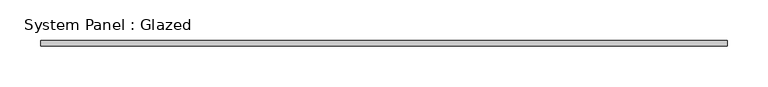
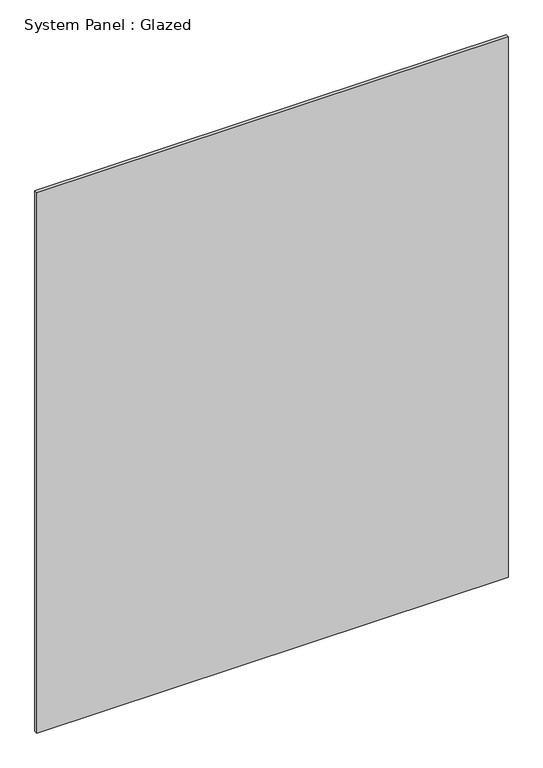
"""IFC4 building model written with IfcOpenShell, lengths in millimetres: plate geometry, System Panel : Glazed."""

from ifc_helpers import new_model, si_unit, origin, origin_with_axes, place, context, project, spatial, polyline, outline, extrude, source, transform, mapped, element, save


def system_panel_glazed_5667d929(model_context):
    return source(origin(), model_context, "Body", "SweptSolid", [
        extrude(outline(polyline([(419.1, 28.575), (-419.1, 28.575), (-419.1, 34.925), (419.1, 34.925), (419.1, 28.575)])), origin_with_axes(), (0.0, 0.0, 1.0), 1016.0),
    ])


if __name__ == "__main__":
    model = new_model("IFC4")
    model_context = context("Model", 3, world=origin())
    ifc_project = project(units=[si_unit("LENGTHUNIT", "METRE", prefix="MILLI")], contexts=[model_context])
    site = spatial("IfcSite", under=ifc_project)
    building = spatial("IfcBuilding", under=site)
    placement = place(None, origin())
    system_panel_glazed_shape = system_panel_glazed_5667d929(model_context)
    element("IfcPlate", 1, ObjectType="System Panel : Glazed", at=placement, inside=building, context=model_context, shape_type="MappedRepresentation", body=[
        mapped(system_panel_glazed_shape, transform((0.0, 0.0, 0.0), x_axis=(1.0, 0.0, 0.0), y_axis=(0.0, 1.0, 0.0), z_axis=(0.0, 0.0, 1.0))),
    ])
    save(model, "model.ifc")
